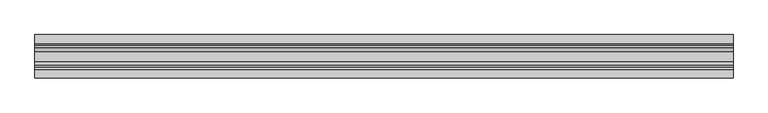
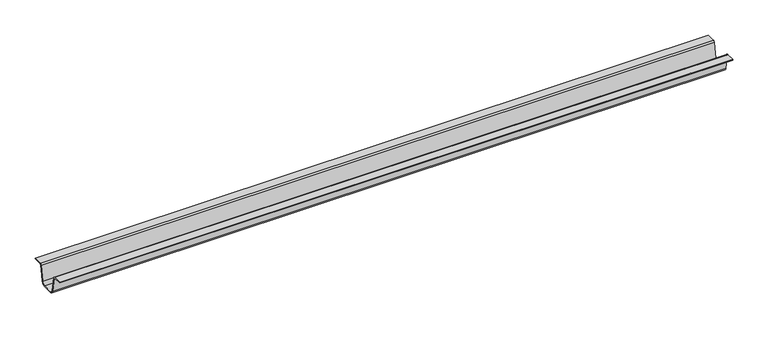
"""IFC4 building model written with IfcOpenShell, lengths in millimetres: furniture geometry."""

from ifc_helpers import new_model, si_unit, point, frame, frame_2d, origin, place, context, project, spatial, polyline, circle_curve, trimmed, segment, composite_curve, outline, extrude, source, transform, mapped, element, save


def furniture_330beec1(model_context):
    return source(origin(), model_context, "Body", "SweptSolid", [
        extrude(outline(composite_curve([segment(polyline([(-346.837, 694.3090025), (-346.837, 693.0949036), (-360.5768607, 693.0949036)]), True, "CONTINUOUS"), segment(trimmed(circle_curve(frame_2d((-360.5768607, 691.737076)), 1.3578275), [point((-360.5768607, 693.0949036))], [point((-361.9143169, 691.9713975))], True, "CARTESIAN"), True, "CONTINUOUS"), segment(polyline([(-361.9143169, 691.9713975), (-366.2870825, 667.0125967)]), True, "CONTINUOUS"), segment(trimmed(circle_curve(frame_2d((-373.0341075, 668.1946711)), 6.8497918), [point((-366.2870825, 667.0125967))], [point((-373.0341075, 661.3448793))], False, "CARTESIAN"), True, "CONTINUOUS"), segment(polyline([(-373.0341075, 661.3448793), (-389.1398724, 661.3448793)]), True, "CONTINUOUS"), segment(trimmed(circle_curve(frame_2d((-389.1398724, 667.9874961)), 6.6426168), [point((-389.1398724, 661.3448793))], [point((-395.6828291, 666.841165))], False, "CARTESIAN"), True, "CONTINUOUS"), segment(polyline([(-395.6828291, 666.841165), (-400.0813679, 691.9468691)]), True, "CONTINUOUS"), segment(trimmed(circle_curve(frame_2d((-401.4480253, 691.7074297)), 1.3874739), [point((-400.0813679, 691.9468691))], [point((-401.4480253, 693.0949036))], True, "CARTESIAN"), True, "CONTINUOUS"), segment(polyline([(-401.4480253, 693.0949036), (-415.162992, 693.0949036), (-415.162992, 694.3090025), (-401.5049141, 694.3090025)]), True, "CONTINUOUS"), segment(trimmed(circle_curve(frame_2d((-401.5049141, 691.6396982)), 2.6693043), [point((-401.5049141, 694.3090025))], [point((-398.8756577, 692.100346))], False, "CARTESIAN"), True, "CONTINUOUS"), segment(polyline([(-398.8756577, 692.100346), (-394.4790148, 667.0054632)]), True, "CONTINUOUS"), segment(trimmed(circle_curve(frame_2d((-389.1857742, 667.932843)), 5.3738654), [point((-394.4790148, 667.0054632))], [point((-389.1857509, 662.5589776))], True, "CARTESIAN"), True, "CONTINUOUS"), segment(polyline([(-389.1857509, 662.5589776), (-372.9693434, 662.5590479)]), True, "CONTINUOUS"), segment(trimmed(circle_curve(frame_2d((-372.9693674, 668.1176347)), 5.5585868), [point((-372.9693434, 662.5590479))], [point((-367.4941768, 667.1583771))], True, "CARTESIAN"), True, "CONTINUOUS"), segment(polyline([(-367.4941768, 667.1583771), (-363.1001943, 692.2380754)]), True, "CONTINUOUS"), segment(trimmed(circle_curve(frame_2d((-360.6348955, 691.8061532)), 2.5028494), [point((-363.1001943, 692.2380754))], [point((-360.6348955, 694.3090025))], False, "CARTESIAN"), True, "CONTINUOUS"), segment(polyline([(-360.6348955, 694.3090025), (-346.837, 694.3090025)]), True, "CONTINUOUS")], self_intersect=False)), frame((194.0052, 0.0, 0.0), z_axis=(1.0, 0.0, 0.0), x_axis=(0.0, 1.0, 0.0)), (0.0, 0.0, 1.0), 1098.55),
    ])


if __name__ == "__main__":
    model = new_model("IFC4")
    model_context = context("Model", 3, world=origin())
    ifc_project = project(units=[si_unit("LENGTHUNIT", "METRE", prefix="MILLI")], contexts=[model_context])
    site = spatial("IfcSite", under=ifc_project)
    building = spatial("IfcBuilding", under=site)
    placement = place(None, origin())
    furniture_shape = furniture_330beec1(model_context)
    element("IfcFurniture", 1, at=placement, inside=building, context=model_context, shape_type="MappedRepresentation", body=[
        mapped(furniture_shape, transform((0.0, 0.0, 0.0), x_axis=(1.0, 0.0, 0.0), y_axis=(0.0, 1.0, 0.0), z_axis=(0.0, 0.0, 1.0))),
    ])
    save(model, "model.ifc")
